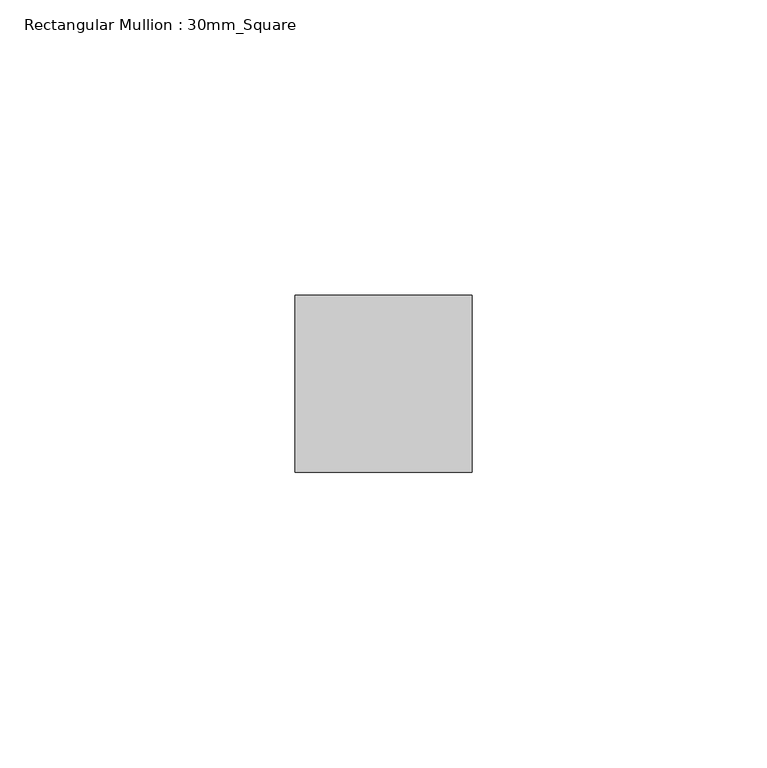
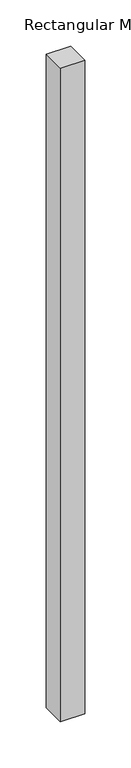
"""IFC4 building model written with IfcOpenShell, lengths in millimetres: member geometry, Rectangular Mullion : 30mm_Square."""

from ifc_helpers import new_model, si_unit, frame, origin, place, context, project, spatial, polyline, outline, extrude, source, transform, mapped, element, save


def rectangular_mullion_30mm_square_c97eac31(model_context):
    return source(origin(), model_context, "Body", "SweptSolid", [
        extrude(outline(polyline([(15.0, 15.0), (15.0, -15.0), (-15.0, -15.0), (-15.0, 15.0), (15.0, 15.0)])), frame((0.0, 0.0, -858.4633611), z_axis=(0.0, 0.0, 1.0), x_axis=(1.0, 0.0, 0.0)), (0.0, 0.0, 1.0), 858.4633611),
    ])


if __name__ == "__main__":
    model = new_model("IFC4")
    model_context = context("Model", 3, world=origin())
    ifc_project = project(units=[si_unit("LENGTHUNIT", "METRE", prefix="MILLI")], contexts=[model_context])
    site = spatial("IfcSite", under=ifc_project)
    building = spatial("IfcBuilding", under=site)
    placement = place(None, origin())
    rectangular_mullion_30mm_square_shape = rectangular_mullion_30mm_square_c97eac31(model_context)
    element("IfcMember", 1, ObjectType="Rectangular Mullion : 30mm_Square", at=placement, inside=building, context=model_context, shape_type="MappedRepresentation", body=[
        mapped(rectangular_mullion_30mm_square_shape, transform((0.0, 0.0, 0.0), x_axis=(1.0, 0.0, 0.0), y_axis=(0.0, 1.0, 0.0), z_axis=(0.0, 0.0, 1.0))),
    ])
    save(model, "model.ifc")
